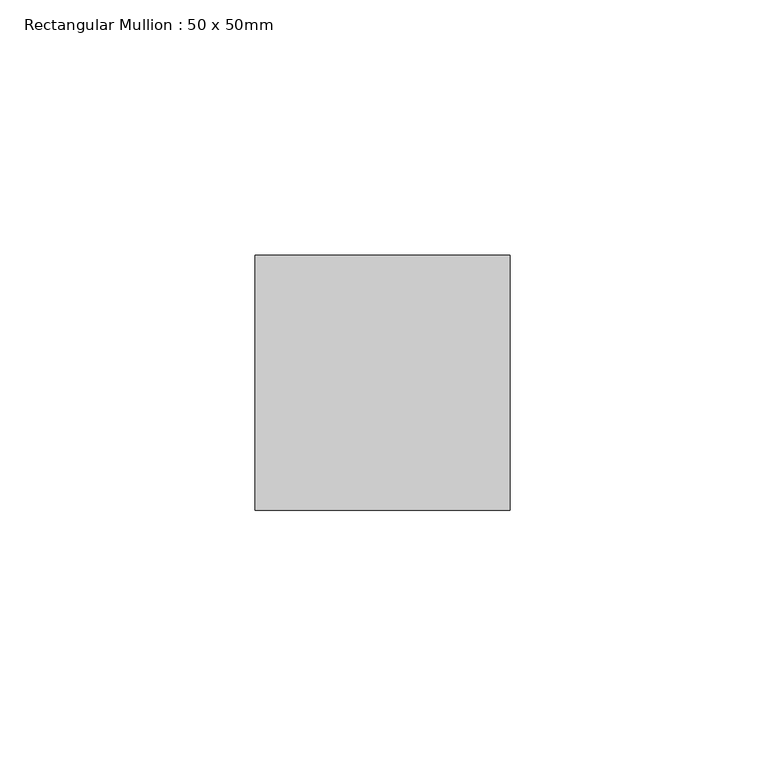
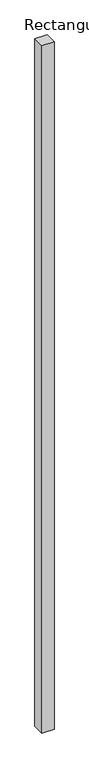
"""IFC4 building model written with IfcOpenShell, lengths in millimetres: member geometry, Rectangular Mullion : 50 x 50mm."""

from ifc_helpers import new_model, si_unit, frame, origin, place, context, project, spatial, polyline, outline, extrude, source, transform, mapped, element, save


def rectangular_mullion_50_x_50mm_1e7650be(model_context):
    return source(origin(), model_context, "Body", "SweptSolid", [
        extrude(outline(polyline([(25.0, 50.0), (25.0, 0.0), (-25.0, 0.0), (-25.0, 50.0), (25.0, 50.0)])), frame((0.0, 0.0, -3000.0), z_axis=(0.0, 0.0, 1.0), x_axis=(1.0, 0.0, 0.0)), (0.0, 0.0, 1.0), 3000.0),
    ])


if __name__ == "__main__":
    model = new_model("IFC4")
    model_context = context("Model", 3, world=origin())
    ifc_project = project(units=[si_unit("LENGTHUNIT", "METRE", prefix="MILLI")], contexts=[model_context])
    site = spatial("IfcSite", under=ifc_project)
    building = spatial("IfcBuilding", under=site)
    placement = place(None, origin())
    rectangular_mullion_50_x_50mm_shape = rectangular_mullion_50_x_50mm_1e7650be(model_context)
    element("IfcMember", 1, ObjectType="Rectangular Mullion : 50 x 50mm", at=placement, inside=building, context=model_context, shape_type="MappedRepresentation", body=[
        mapped(rectangular_mullion_50_x_50mm_shape, transform((0.0, 0.0, 0.0), x_axis=(1.0, 0.0, 0.0), y_axis=(0.0, 1.0, 0.0), z_axis=(0.0, 0.0, 1.0))),
    ])
    save(model, "model.ifc")
